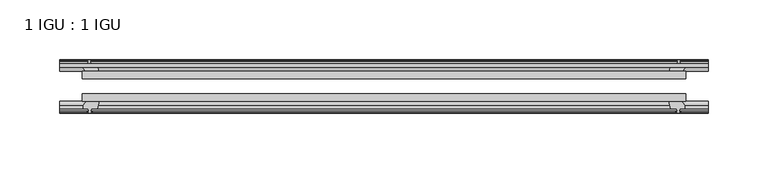
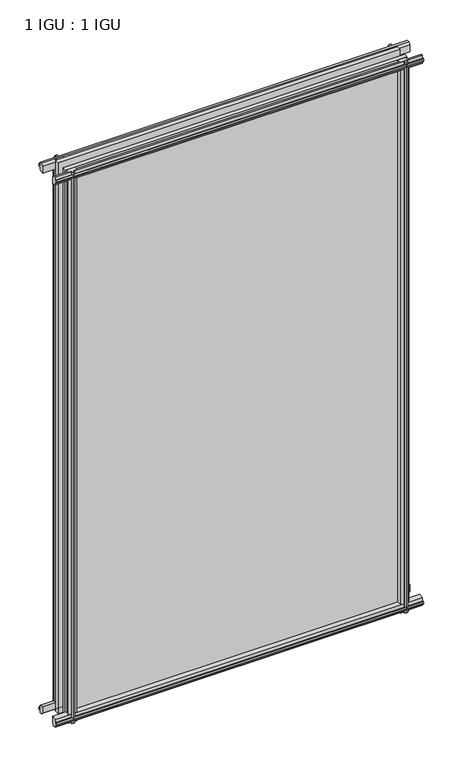
"""IFC4 building model written with IfcOpenShell, lengths in millimetres: plate geometry, 1 IGU : 1 IGU."""

from ifc_helpers import new_model, si_unit, frame, origin, place, context, project, spatial, polyline, outline, extrude, source, transform, mapped, element, save


def plate_1_igu_1_igu_18db7d78(model_context):
    return source(origin(), model_context, "Body", "SweptSolid", [
        extrude(outline(polyline([(-253.519105, -38.6468937), (253.519105, -38.6468937), (253.519105, -44.9460938), (-253.519105, -44.9460938), (-253.519105, -38.6468937)])), frame((0.0, 0.0, -12.7), z_axis=(0.0, 0.0, 1.0), x_axis=(1.0, 0.0, 0.0)), (0.0, 0.0, 1.0), 863.5872996),
        extrude(outline(polyline([(-253.519105, -19.5460937), (253.519105, -19.5460937), (253.519105, -25.8960938), (-253.519105, -25.8960938), (-253.519105, -19.5460937)])), frame((0.0, 0.0, -12.7), z_axis=(0.0, 0.0, 1.0), x_axis=(1.0, 0.0, 0.0)), (0.0, 0.0, 1.0), 863.5872996),
        extrude(outline(polyline([(-44.9460937, 1.7177181), (-44.9460937, -9.1036578), (-48.3496937, -11.938), (-51.2960937, -11.938), (-51.2960937, -7.493), (-53.6762907, -7.112), (-53.2163575, -8.5275291), (-54.0175717, -8.5275291), (-54.7250937, -6.35), (-54.0175717, -4.1724709), (-53.2163575, -4.1724709), (-53.6762907, -5.588), (-51.2960937, -5.207), (-51.2960937, 0.0), (-44.9460937, 1.7177181)])), frame((-272.569105, 0.0, 0.0), z_axis=(1.0, 0.0, 0.0), x_axis=(0.0, 1.0, 0.0)), (0.0, 0.0, 1.0), 545.13821),
        extrude(outline(polyline([(-13.1960937, -12.4587), (-16.1424937, -12.4587), (-19.5460937, -9.6243578), (-19.5460937, 1.1970181), (-13.1960937, -0.5207), (-13.1960937, -5.7277), (-10.8158968, -6.1087), (-11.27583, -4.6931709), (-10.4746158, -4.6931709), (-9.7670937, -6.8707), (-10.4746158, -9.0482291), (-11.27583, -9.0482291), (-10.8158968, -7.6327), (-13.1960937, -8.0137), (-13.1960937, -12.4587)])), frame((-272.569105, 0.0, 0.0), z_axis=(1.0, 0.0, 0.0), x_axis=(0.0, 1.0, 0.0)), (0.0, 0.0, 1.0), 545.13821),
        extrude(outline(polyline([(-51.2960937, 850.1252996), (-48.3496937, 850.1252996), (-44.9460937, 847.2909574), (-44.9460937, 836.4695815), (-51.2960937, 838.1872996), (-51.2960937, 843.3942996), (-53.6762907, 843.7752996), (-53.2163575, 842.3597706), (-54.0175717, 842.3597706), (-54.7250937, 844.5372996), (-54.0175717, 846.7148287), (-53.2163575, 846.7148287), (-53.6762907, 845.2992996), (-51.2960937, 845.6802996), (-51.2960937, 850.1252996)])), frame((-272.569105, 0.0, 0.0), z_axis=(1.0, 0.0, 0.0), x_axis=(0.0, 1.0, 0.0)), (0.0, 0.0, 1.0), 545.13821),
        extrude(outline(polyline([(-19.5460937, 836.9902815), (-19.5460937, 847.8116574), (-16.1424937, 850.6459996), (-13.1960937, 850.6459996), (-13.1960937, 846.2009996), (-10.8158968, 845.8199996), (-11.27583, 847.2355287), (-10.4746158, 847.2355287), (-9.7670937, 845.0579996), (-10.4746158, 842.8804706), (-11.27583, 842.8804706), (-10.8158968, 844.2959996), (-13.1960937, 843.9149996), (-13.1960937, 838.7079996), (-19.5460937, 836.9902815)])), frame((-272.569105, 0.0, 0.0), z_axis=(1.0, 0.0, 0.0), x_axis=(0.0, 1.0, 0.0)), (0.0, 0.0, 1.0), 545.13821),
        extrude(outline(polyline([(239.6220869, -19.5460938), (241.339805, -13.1960938), (246.546805, -13.1960938), (246.927805, -10.8158968), (245.5122759, -11.27583), (245.5122759, -10.4746158), (247.689805, -9.7670938), (249.867334, -10.4746158), (249.867334, -11.27583), (248.451805, -10.8158968), (248.832805, -13.1960938), (253.277805, -13.1960938), (253.277805, -16.1424938), (250.4434628, -19.5460938), (239.6220869, -19.5460938)])), frame((0.0, 0.0, -12.7), z_axis=(0.0, 0.0, 1.0), x_axis=(1.0, 0.0, 0.0)), (0.0, 0.0, 1.0), 863.5872998),
        extrude(outline(polyline([(239.1013869, -44.9460938), (249.9227628, -44.9460938), (252.757105, -48.3496938), (252.757105, -51.2960938), (248.312105, -51.2960938), (247.931105, -53.6762907), (249.346634, -53.2163575), (249.346634, -54.0175717), (247.169105, -54.7250938), (244.9915759, -54.0175717), (244.9915759, -53.2163575), (246.407105, -53.6762907), (246.026105, -51.2960938), (240.819105, -51.2960938), (239.1013869, -44.9460938)])), frame((0.0, 0.0, -12.7), z_axis=(0.0, 0.0, 1.0), x_axis=(1.0, 0.0, 0.0)), (0.0, 0.0, 1.0), 863.5872998),
        extrude(outline(polyline([(-247.689805, -9.7670937), (-245.5122759, -10.4746158), (-245.5122759, -11.27583), (-246.927805, -10.8158968), (-246.546805, -13.1960937), (-241.339805, -13.1960937), (-239.6220869, -19.5460937), (-250.4434628, -19.5460937), (-253.277805, -16.1424937), (-253.277805, -13.1960937), (-248.832805, -13.1960937), (-248.451805, -10.8158968), (-249.867334, -11.27583), (-249.867334, -10.4746158), (-247.689805, -9.7670937)])), frame((0.0, 0.0, -12.7), z_axis=(0.0, 0.0, 1.0), x_axis=(1.0, 0.0, 0.0)), (0.0, 0.0, 1.0), 863.5872998),
        extrude(outline(polyline([(-252.757105, -48.3496937), (-249.9227628, -44.9460937), (-239.1013869, -44.9460937), (-240.819105, -51.2960937), (-246.026105, -51.2960937), (-246.407105, -53.6762907), (-244.9915759, -53.2163575), (-244.9915759, -54.0175717), (-247.169105, -54.7250937), (-249.346634, -54.0175717), (-249.346634, -53.2163575), (-247.931105, -53.6762907), (-248.312105, -51.2960937), (-252.757105, -51.2960937), (-252.757105, -48.3496937)])), frame((0.0, 0.0, -12.7), z_axis=(0.0, 0.0, 1.0), x_axis=(1.0, 0.0, 0.0)), (0.0, 0.0, 1.0), 863.5872998),
    ])


if __name__ == "__main__":
    model = new_model("IFC4")
    model_context = context("Model", 3, world=origin())
    ifc_project = project(units=[si_unit("LENGTHUNIT", "METRE", prefix="MILLI")], contexts=[model_context])
    site = spatial("IfcSite", under=ifc_project)
    building = spatial("IfcBuilding", under=site)
    placement = place(None, origin())
    plate_1_igu_1_igu_shape = plate_1_igu_1_igu_18db7d78(model_context)
    element("IfcPlate", 1, ObjectType="1 IGU : 1 IGU", at=placement, inside=building, context=model_context, shape_type="MappedRepresentation", body=[
        mapped(plate_1_igu_1_igu_shape, transform((0.0, 0.0, 0.0), x_axis=(1.0, 0.0, 0.0), y_axis=(0.0, 1.0, 0.0), z_axis=(0.0, 0.0, 1.0))),
    ])
    save(model, "model.ifc")
